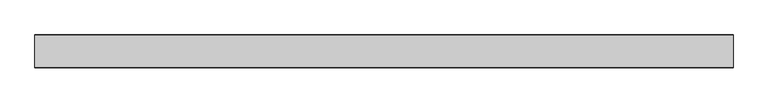
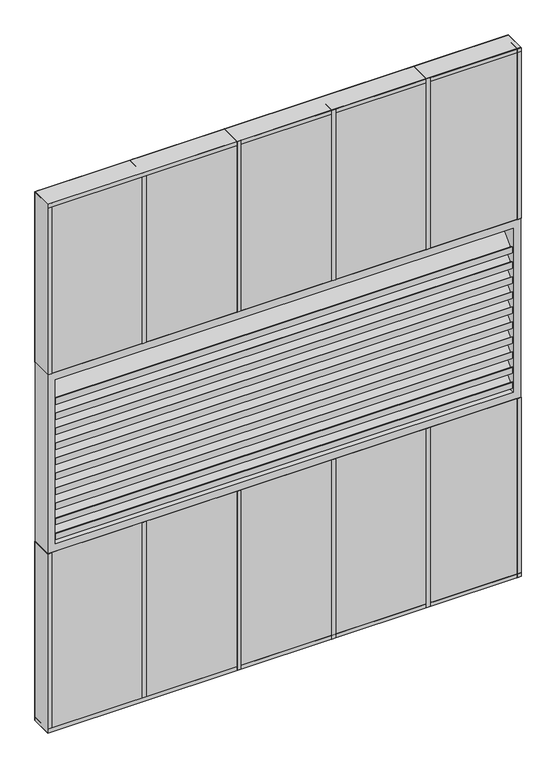
"""IFC4 building model written with IfcOpenShell, lengths in millimetres: plate geometry."""

from ifc_helpers import new_model, si_unit, frame, origin, origin_with_axes, place, context, project, spatial, polyline, outline, extrude, source, transform, mapped, element, save


def plate_134f6d83(model_context):
    return source(origin(), model_context, "Body", "SweptSolid", [
        extrude(outline(polyline([(-32.925, 698.8386667), (-32.925, 719.8386667), (-30.9282899, 719.8386667), (-30.9282899, 701.6638039), (31.3024473, 763.8945411), (18.925, 763.8945411), (18.925, 765.8945411), (32.925, 765.8945411), (32.925, 751.8945411), (30.925, 751.8945411), (30.925, 760.6886667), (-30.925, 698.8386667), (-32.925, 698.8386667)])), frame((-736.6, 0.0, 0.0), z_axis=(1.0, 0.0, 0.0), x_axis=(0.0, 1.0, 0.0)), (0.0, 0.0, 1.0), 1473.2),
        extrude(outline(polyline([(-32.925, 749.9773333), (-32.925, 770.9773333), (-30.9282899, 770.9773333), (-30.9282899, 752.8024706), (31.3024473, 815.0332078), (18.925, 815.0332078), (18.925, 817.0332078), (32.925, 817.0332078), (32.925, 803.0332078), (30.925, 803.0332078), (30.925, 811.8273333), (-30.925, 749.9773333), (-32.925, 749.9773333)])), frame((-736.6, 0.0, 0.0), z_axis=(1.0, 0.0, 0.0), x_axis=(0.0, 1.0, 0.0)), (0.0, 0.0, 1.0), 1473.2),
        extrude(outline(polyline([(-32.925, 801.116), (-32.925, 822.116), (-30.9282899, 822.116), (-30.9282899, 803.9411372), (31.3024473, 866.1718744), (18.925, 866.1718744), (18.925, 868.1718744), (32.925, 868.1718744), (32.925, 854.1718744), (30.925, 854.1718744), (30.925, 862.966), (-30.925, 801.116), (-32.925, 801.116)])), frame((-736.6, 0.0, 0.0), z_axis=(1.0, 0.0, 0.0), x_axis=(0.0, 1.0, 0.0)), (0.0, 0.0, 1.0), 1473.2),
        extrude(outline(polyline([(-32.925, 852.2546667), (-32.925, 873.2546667), (-30.9282899, 873.2546667), (-30.9282899, 855.0798039), (31.3024473, 917.3105411), (18.925, 917.3105411), (18.925, 919.3105411), (32.925, 919.3105411), (32.925, 905.3105411), (30.925, 905.3105411), (30.925, 914.1046667), (-30.925, 852.2546667), (-32.925, 852.2546667)])), frame((-736.6, 0.0, 0.0), z_axis=(1.0, 0.0, 0.0), x_axis=(0.0, 1.0, 0.0)), (0.0, 0.0, 1.0), 1473.2),
        extrude(outline(polyline([(-32.925, 903.3933333), (-32.925, 924.3933333), (-30.9282899, 924.3933333), (-30.9282899, 906.2184706), (31.3024473, 968.4492078), (18.925, 968.4492078), (18.925, 970.4492078), (32.925, 970.4492078), (32.925, 956.4492078), (30.925, 956.4492078), (30.925, 965.2433333), (-30.925, 903.3933333), (-32.925, 903.3933333)])), frame((-736.6, 0.0, 0.0), z_axis=(1.0, 0.0, 0.0), x_axis=(0.0, 1.0, 0.0)), (0.0, 0.0, 1.0), 1473.2),
        extrude(outline(polyline([(-32.925, 954.532), (-32.925, 975.532), (-30.9282899, 975.532), (-30.9282899, 957.3571372), (31.3024473, 1019.5878744), (18.925, 1019.5878744), (18.925, 1021.5878744), (32.925, 1021.5878744), (32.925, 1007.5878744), (30.925, 1007.5878744), (30.925, 1016.382), (-30.925, 954.532), (-32.925, 954.532)])), frame((-736.6, 0.0, 0.0), z_axis=(1.0, 0.0, 0.0), x_axis=(0.0, 1.0, 0.0)), (0.0, 0.0, 1.0), 1473.2),
        extrude(outline(polyline([(-32.925, 1005.6706667), (-32.925, 1026.6706667), (-30.9282899, 1026.6706667), (-30.9282899, 1008.4958039), (31.3024473, 1070.7265411), (18.925, 1070.7265411), (18.925, 1072.7265411), (32.925, 1072.7265411), (32.925, 1058.7265411), (30.925, 1058.7265411), (30.925, 1067.5206667), (-30.925, 1005.6706667), (-32.925, 1005.6706667)])), frame((-736.6, 0.0, 0.0), z_axis=(1.0, 0.0, 0.0), x_axis=(0.0, 1.0, 0.0)), (0.0, 0.0, 1.0), 1473.2),
        extrude(outline(polyline([(-32.925, 1056.8093333), (-32.925, 1077.8093333), (-30.9282899, 1077.8093333), (-30.9282899, 1059.6344706), (31.3024473, 1121.8652078), (18.925, 1121.8652078), (18.925, 1123.8652078), (32.925, 1123.8652078), (32.925, 1109.8652078), (30.925, 1109.8652078), (30.925, 1118.6593333), (-30.925, 1056.8093333), (-32.925, 1056.8093333)])), frame((-736.6, 0.0, 0.0), z_axis=(1.0, 0.0, 0.0), x_axis=(0.0, 1.0, 0.0)), (0.0, 0.0, 1.0), 1473.2),
        extrude(outline(polyline([(-32.925, 647.7), (-32.925, 668.7), (-30.9282899, 668.7), (-30.9282899, 650.5251372), (31.3024473, 712.7558744), (18.925, 712.7558744), (18.925, 714.7558744), (32.925, 714.7558744), (32.925, 700.7558744), (30.925, 700.7558744), (30.925, 709.55), (-30.925, 647.7), (-32.925, 647.7)])), frame((-736.6, 0.0, 0.0), z_axis=(1.0, 0.0, 0.0), x_axis=(0.0, 1.0, 0.0)), (0.0, 0.0, 1.0), 1473.2),
        extrude(outline(polyline([(-32.925, 1107.948), (-32.925, 1128.948), (-30.9282899, 1128.948), (-30.9282899, 1110.7731372), (31.3024473, 1173.0038744), (18.925, 1173.0038744), (18.925, 1175.0038744), (32.925, 1175.0038744), (32.925, 1161.0038744), (30.925, 1161.0038744), (30.925, 1169.798), (-30.925, 1107.948), (-32.925, 1107.948)])), frame((-736.6, 0.0, 0.0), z_axis=(1.0, 0.0, 0.0), x_axis=(0.0, 1.0, 0.0)), (0.0, 0.0, 1.0), 1473.2),
        extrude(outline(polyline([(762.0, -34.925), (-762.0, -34.925), (-762.0, 34.925), (762.0, 34.925), (762.0, -34.925)])), origin_with_axes(), (0.0, 0.0, 1.0), 609.6),
        extrude(outline(polyline([(1219.2, 762.0), (1219.2, -762.0), (609.6, -762.0), (609.6, 762.0), (1219.2, 762.0)]), holes=[polyline([(1193.8, -736.6), (1193.8, 736.6), (635.0, 736.6), (635.0, -736.6), (1193.8, -736.6)])]), frame((0.0, -34.925, 0.0), z_axis=(0.0, 1.0, 0.0), x_axis=(0.0, 0.0, 1.0)), (0.0, 0.0, 1.0), 69.85),
        extrude(outline(polyline([(762.0, -34.925), (-762.0, -34.925), (-762.0, 34.925), (762.0, 34.925), (762.0, -34.925)])), frame((0.0, 0.0, 1219.2), z_axis=(0.0, 0.0, 1.0), x_axis=(1.0, 0.0, 0.0)), (0.0, 0.0, 1.0), 580.6),
        extrude(outline(polyline([(469.9, -35.71875), (457.2, -35.71875), (457.2, 35.71875), (469.9, 35.71875), (469.9, -35.71875)])), origin_with_axes(), (0.0, 0.0, 1.0), 609.6),
        extrude(outline(polyline([(165.1, -35.71875), (152.4, -35.71875), (152.4, 35.71875), (165.1, 35.71875), (165.1, -35.71875)])), origin_with_axes(), (0.0, 0.0, 1.0), 609.6),
        extrude(outline(polyline([(-139.7, -35.71875), (-152.4, -35.71875), (-152.4, 35.71875), (-139.7, 35.71875), (-139.7, -35.71875)])), origin_with_axes(), (0.0, 0.0, 1.0), 609.6),
        extrude(outline(polyline([(469.9, -35.71875), (457.2, -35.71875), (457.2, 35.71875), (469.9, 35.71875), (469.9, -35.71875)])), frame((0.0, 0.0, 1219.2), z_axis=(0.0, 0.0, 1.0), x_axis=(1.0, 0.0, 0.0)), (0.0, 0.0, 1.0), 580.6),
        extrude(outline(polyline([(165.1, -35.71875), (152.4, -35.71875), (152.4, 35.71875), (165.1, 35.71875), (165.1, -35.71875)])), frame((0.0, 0.0, 1219.2), z_axis=(0.0, 0.0, 1.0), x_axis=(1.0, 0.0, 0.0)), (0.0, 0.0, 1.0), 580.6),
        extrude(outline(polyline([(-139.7, -35.71875), (-152.4, -35.71875), (-152.4, 35.71875), (-139.7, 35.71875), (-139.7, -35.71875)])), frame((0.0, 0.0, 1219.2), z_axis=(0.0, 0.0, 1.0), x_axis=(1.0, 0.0, 0.0)), (0.0, 0.0, 1.0), 580.6),
        extrude(outline(polyline([(762.0, -35.71875), (-762.0, -35.71875), (-762.0, 35.71875), (762.0, 35.71875), (762.0, -35.71875)])), origin_with_axes(), (0.0, 0.0, 1.0), 12.7),
        extrude(outline(polyline([(-444.5, -35.71875), (-457.2, -35.71875), (-457.2, 35.71875), (-444.5, 35.71875), (-444.5, -35.71875)])), origin_with_axes(), (0.0, 0.0, 1.0), 609.6),
        extrude(outline(polyline([(749.3, -35.71875), (749.3, 35.71875), (762.0, 35.71875), (762.0, -35.71875), (749.3, -35.71875)])), origin_with_axes(), (0.0, 0.0, 1.0), 609.6),
        extrude(outline(polyline([(-749.3, -35.71875), (-762.0, -35.71875), (-762.0, 35.71875), (-749.3, 35.71875), (-749.3, -35.71875)])), origin_with_axes(), (0.0, 0.0, 1.0), 609.6),
        extrude(outline(polyline([(762.0, -35.71875), (-762.0, -35.71875), (-762.0, 35.71875), (762.0, 35.71875), (762.0, -35.71875)])), frame((0.0, 0.0, 1787.1), z_axis=(0.0, 0.0, 1.0), x_axis=(1.0, 0.0, 0.0)), (0.0, 0.0, 1.0), 12.7),
        extrude(outline(polyline([(-444.5, -35.71875), (-457.2, -35.71875), (-457.2, 35.71875), (-444.5, 35.71875), (-444.5, -35.71875)])), frame((0.0, 0.0, 1219.2), z_axis=(0.0, 0.0, 1.0), x_axis=(1.0, 0.0, 0.0)), (0.0, 0.0, 1.0), 580.6),
        extrude(outline(polyline([(762.0, -35.71875), (749.3, -35.71875), (749.3, 35.71875), (762.0, 35.71875), (762.0, -35.71875)])), frame((0.0, 0.0, 1219.2), z_axis=(0.0, 0.0, 1.0), x_axis=(1.0, 0.0, 0.0)), (0.0, 0.0, 1.0), 580.6),
        extrude(outline(polyline([(-749.3, -35.71875), (-762.0, -35.71875), (-762.0, 35.71875), (-749.3, 35.71875), (-749.3, -35.71875)])), frame((0.0, 0.0, 1219.2), z_axis=(0.0, 0.0, 1.0), x_axis=(1.0, 0.0, 0.0)), (0.0, 0.0, 1.0), 580.6),
    ])


if __name__ == "__main__":
    model = new_model("IFC4")
    model_context = context("Model", 3, world=origin())
    ifc_project = project(units=[si_unit("LENGTHUNIT", "METRE", prefix="MILLI")], contexts=[model_context])
    site = spatial("IfcSite", under=ifc_project)
    building = spatial("IfcBuilding", under=site)
    placement = place(None, origin())
    plate_shape = plate_134f6d83(model_context)
    element("IfcPlate", 1, at=placement, inside=building, context=model_context, shape_type="MappedRepresentation", body=[
        mapped(plate_shape, transform((0.0, 0.0, 0.0), x_axis=(1.0, 0.0, 0.0), y_axis=(0.0, 1.0, 0.0), z_axis=(0.0, 0.0, 1.0))),
    ])
    save(model, "model.ifc")
